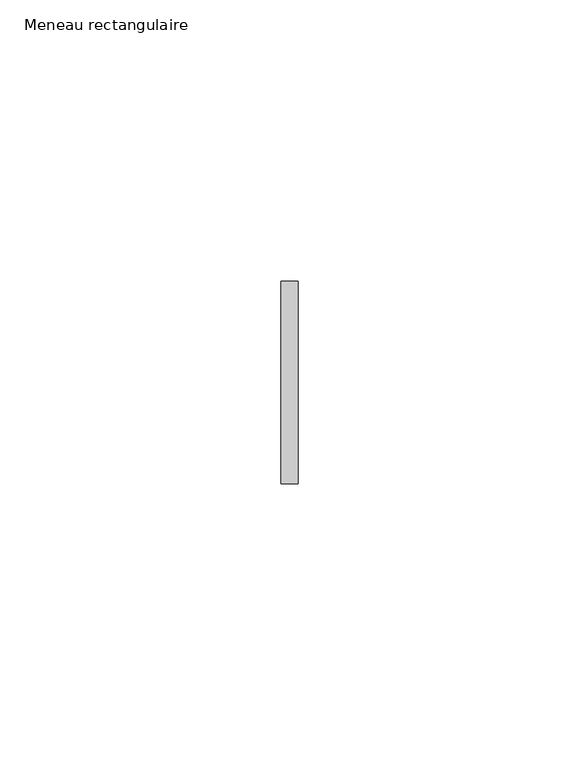
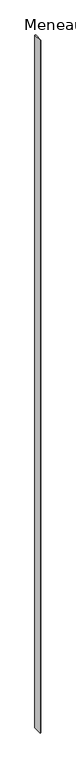
"""IFC4 building model written with IfcOpenShell, lengths in millimetres: member geometry, Meneau rectangulaire."""

from ifc_helpers import new_model, si_unit, frame, origin, place, context, project, spatial, polyline, outline, extrude, source, transform, mapped, element, save


def meneau_rectangulaire_a1665a16(model_context):
    return source(origin(), model_context, "Body", "SweptSolid", [
        extrude(outline(polyline([(-1.5, 18.0), (1.5, 18.0), (1.5, -18.0), (-1.5, -18.0), (-1.5, 18.0)])), frame((0.0, 0.0, -2910.0), z_axis=(0.0, 0.0, 1.0), x_axis=(1.0, 0.0, 0.0)), (0.0, 0.0, 1.0), 2910.0),
    ])


if __name__ == "__main__":
    model = new_model("IFC4")
    model_context = context("Model", 3, world=origin())
    ifc_project = project(units=[si_unit("LENGTHUNIT", "METRE", prefix="MILLI")], contexts=[model_context])
    site = spatial("IfcSite", under=ifc_project)
    building = spatial("IfcBuilding", under=site)
    placement = place(None, origin())
    meneau_rectangulaire_shape = meneau_rectangulaire_a1665a16(model_context)
    element("IfcMember", 1, ObjectType="Meneau rectangulaire", at=placement, inside=building, context=model_context, shape_type="MappedRepresentation", body=[
        mapped(meneau_rectangulaire_shape, transform((0.0, 0.0, 0.0), x_axis=(1.0, 0.0, 0.0), y_axis=(0.0, 1.0, 0.0), z_axis=(0.0, 0.0, 1.0))),
    ])
    save(model, "model.ifc")
